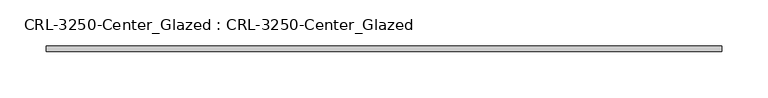
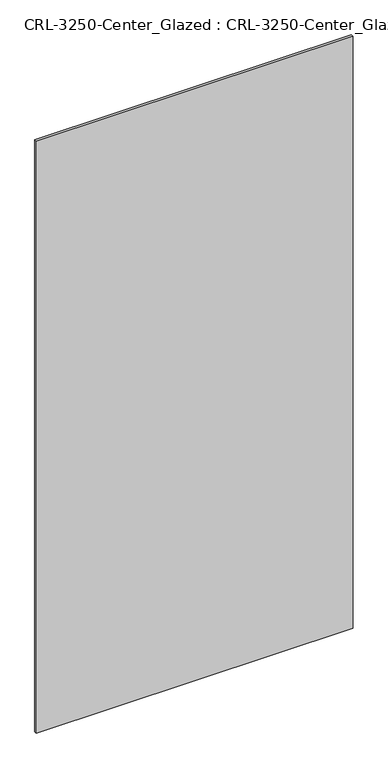
"""IFC4 building model written with IfcOpenShell, lengths in millimetres: plate geometry, CRL-3250-Center_Glazed : CRL-3250-Center_Glazed."""

from ifc_helpers import new_model, si_unit, origin, origin_with_axes, place, context, project, spatial, polyline, outline, extrude, source, transform, mapped, element, save


def crl_3250_center_glazed_crl_3250_center_glazed_72a85e1f(model_context):
    return source(origin(), model_context, "Body", "SweptSolid", [
        extrude(outline(polyline([(366.4597327, 3.1749999), (366.4597327, -3.1749999), (-366.4597327, -3.1749999), (-366.4597327, 3.1749999), (366.4597327, 3.1749999)])), origin_with_axes(), (0.0, 0.0, 1.0), 1447.800003),
    ])


if __name__ == "__main__":
    model = new_model("IFC4")
    model_context = context("Model", 3, world=origin())
    ifc_project = project(units=[si_unit("LENGTHUNIT", "METRE", prefix="MILLI")], contexts=[model_context])
    site = spatial("IfcSite", under=ifc_project)
    building = spatial("IfcBuilding", under=site)
    placement = place(None, origin())
    crl_3250_center_glazed_crl_3250_center_glazed_shape = crl_3250_center_glazed_crl_3250_center_glazed_72a85e1f(model_context)
    element("IfcPlate", 1, ObjectType="CRL-3250-Center_Glazed : CRL-3250-Center_Glazed", at=placement, inside=building, context=model_context, shape_type="MappedRepresentation", body=[
        mapped(crl_3250_center_glazed_crl_3250_center_glazed_shape, transform((0.0, 0.0, 0.0), x_axis=(1.0, 0.0, 0.0), y_axis=(0.0, 1.0, 0.0), z_axis=(0.0, 0.0, 1.0))),
    ])
    save(model, "model.ifc")
